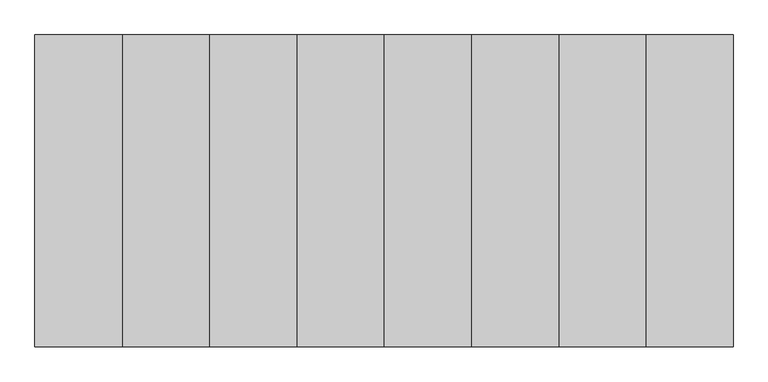
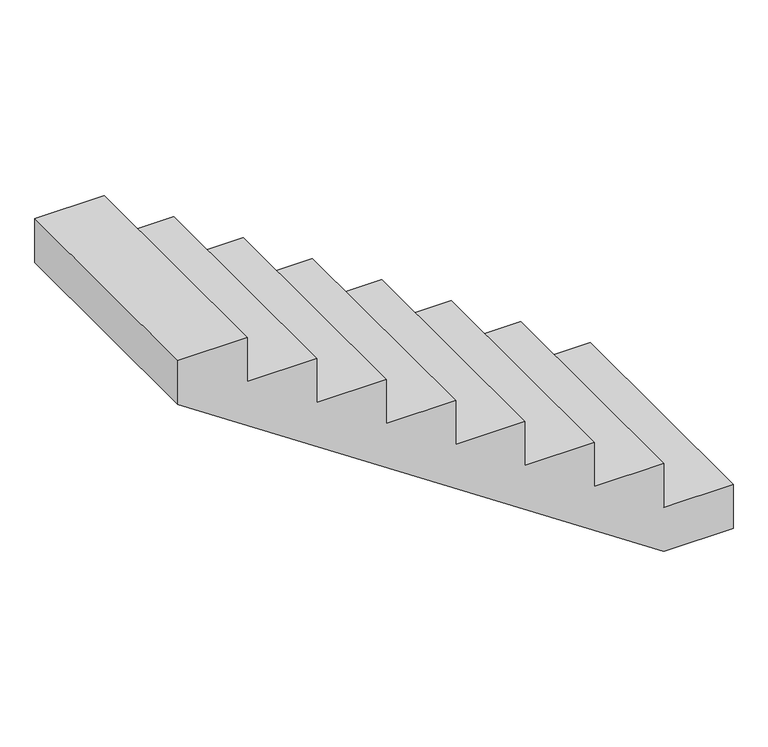
"""IFC4 building model written with IfcOpenShell, lengths in millimetres: stair geometry."""

from ifc_helpers import new_model, si_unit, frame, origin, place, context, project, spatial, polyline, outline, extrude, source, transform, mapped, element, save


def stair_feb2b20e(model_context):
    return source(origin(), model_context, "Body", "SweptSolid", [
        extrude(outline(polyline([(7500.0, 3434.1127713), (7500.0, 3154.1127713), (7312.5, 3154.1127713), (6000.0, 5114.1127713), (6000.0, 5394.1127713), (6187.5, 5394.1127713), (6187.5, 5114.1127713), (6375.0, 5114.1127713), (6375.0, 4834.1127713), (6562.5, 4834.1127713), (6562.5, 4554.1127713), (6750.0, 4554.1127713), (6750.0, 4274.1127713), (6937.5, 4274.1127713), (6937.5, 3994.1127713), (7125.0, 3994.1127713), (7125.0, 3714.1127713), (7312.5, 3714.1127713), (7312.5, 3434.1127713), (7500.0, 3434.1127713)])), frame((0.0, 2400.0, 0.0), z_axis=(0.0, 1.0, 0.0), x_axis=(0.0, 0.0, 1.0)), (0.0, 0.0, 1.0), 1000.0),
    ])


if __name__ == "__main__":
    model = new_model("IFC4")
    model_context = context("Model", 3, world=origin())
    ifc_project = project(units=[si_unit("LENGTHUNIT", "METRE", prefix="MILLI")], contexts=[model_context])
    site = spatial("IfcSite", under=ifc_project)
    building = spatial("IfcBuilding", under=site)
    placement = place(None, origin())
    stair_shape = stair_feb2b20e(model_context)
    element("IfcStair", 1, at=placement, inside=building, context=model_context, shape_type="MappedRepresentation", body=[
        mapped(stair_shape, transform((0.0, 0.0, 0.0), x_axis=(1.0, 0.0, 0.0), y_axis=(0.0, 1.0, 0.0), z_axis=(0.0, 0.0, 1.0))),
    ])
    save(model, "model.ifc")
